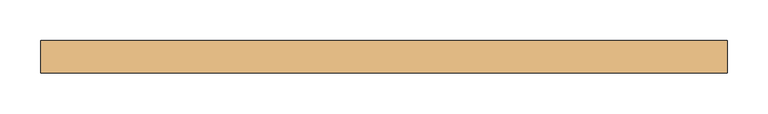
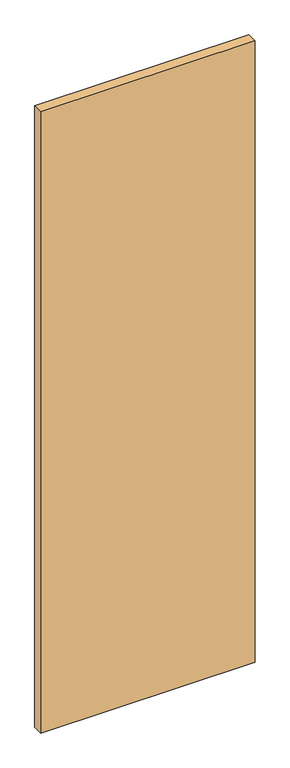
"""IFC4 building model written with IfcOpenShell, lengths in millimetres: door geometry."""

from ifc_helpers import new_model, si_unit, frame, origin, place, context, project, spatial, polyline, outline, extrude, source, transform, mapped, element, save


def door_ab03f8ec(model_context):
    return source(origin(), model_context, "Body", "SweptSolid", [
        extrude(outline(polyline([(421.4166667, 20.0), (421.4166667, -20.0), (-421.4166667, -20.0), (-421.4166667, 20.0), (421.4166667, 20.0)])), frame((0.0, 0.0, 10.0), z_axis=(0.0, 0.0, 1.0), x_axis=(1.0, 0.0, 0.0)), (0.0, 0.0, 1.0), 2582.0),
    ])


if __name__ == "__main__":
    model = new_model("IFC4")
    model_context = context("Model", 3, world=origin())
    ifc_project = project(units=[si_unit("LENGTHUNIT", "METRE", prefix="MILLI")], contexts=[model_context])
    site = spatial("IfcSite", under=ifc_project)
    building = spatial("IfcBuilding", under=site)
    placement = place(None, origin())
    door_shape = door_ab03f8ec(model_context)
    element("IfcDoor", 1, at=placement, inside=building, context=model_context, shape_type="MappedRepresentation", body=[
        mapped(door_shape, transform((0.0, 0.0, 0.0), x_axis=(1.0, 0.0, 0.0), y_axis=(0.0, 1.0, 0.0), z_axis=(0.0, 0.0, 1.0))),
    ])
    save(model, "model.ifc")
